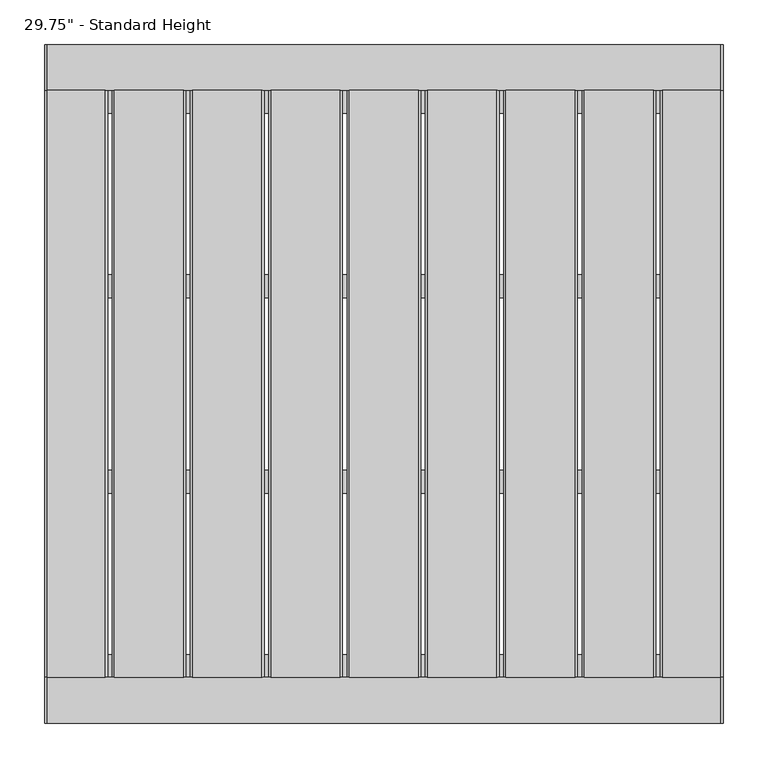
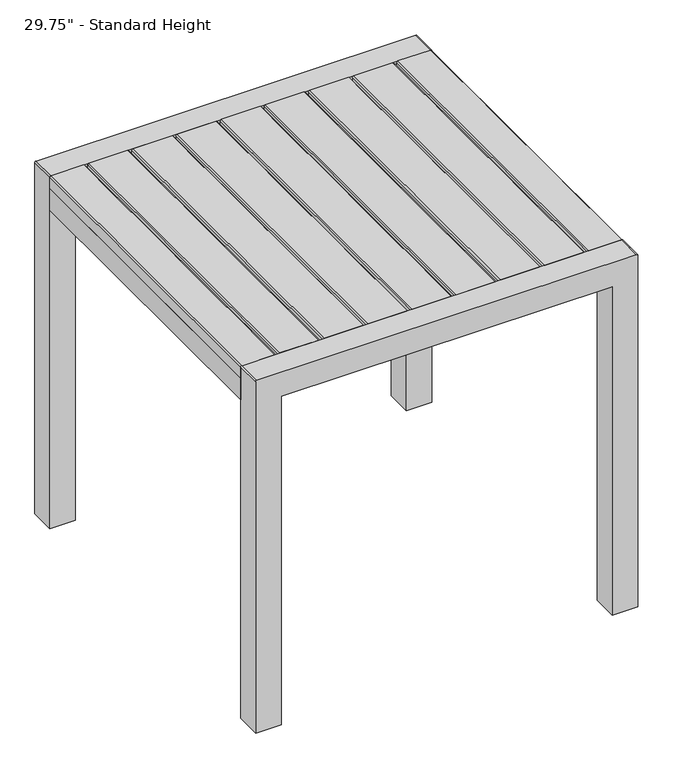
"""IFC4 building model written with IfcOpenShell, lengths in millimetres: furniture geometry."""

from ifc_helpers import new_model, si_unit, point, frame, frame_2d, origin, place, context, project, spatial, polyline, circle_curve, trimmed, segment, composite_curve, outline, extrude, source, transform, mapped, element, save


def furniture_b8332ba9(model_context):
    return source(origin(), model_context, "Body", "SweptSolid", [
        extrude(outline(polyline([(711.2, 215.6354167), (734.0767182, 215.6354167), (736.6, 213.1121665), (736.6, 136.0055418), (734.0767182, 133.4822917), (711.2, 133.4822917), (711.2, 215.6354167)])), frame((0.0, -331.0549408, 0.0), z_axis=(0.0, 1.0, 0.0), x_axis=(0.0, 0.0, 1.0)), (0.0, 0.0, 1.0), 654.05),
        extrude(outline(polyline([(711.2, 128.3559896), (734.0767182, 128.3559896), (736.6, 125.8327394), (736.6, 48.7261148), (734.0767182, 46.2028646), (711.2, 46.2028646), (711.2, 128.3559896)])), frame((0.0, -331.0549408, 0.0), z_axis=(0.0, 1.0, 0.0), x_axis=(0.0, 0.0, 1.0)), (0.0, 0.0, 1.0), 654.05),
        extrude(outline(polyline([(711.2, 41.0765625), (734.0767182, 41.0765625), (736.6, 38.5533123), (736.6, -38.5533123), (734.0767182, -41.0765625), (711.2, -41.0765625), (711.2, 41.0765625)])), frame((0.0, -331.0549408, 0.0), z_axis=(0.0, 1.0, 0.0), x_axis=(0.0, 0.0, 1.0)), (0.0, 0.0, 1.0), 654.05),
        extrude(outline(polyline([(711.2, -46.2028646), (734.0767182, -46.2028646), (736.6, -48.7261148), (736.6, -125.8327394), (734.0767182, -128.3559896), (711.2, -128.3559896), (711.2, -46.2028646)])), frame((0.0, -331.0549408, 0.0), z_axis=(0.0, 1.0, 0.0), x_axis=(0.0, 0.0, 1.0)), (0.0, 0.0, 1.0), 654.05),
        extrude(outline(polyline([(711.2, -133.4822917), (734.0767182, -133.4822917), (736.6, -136.0055418), (736.6, -213.1121665), (734.0767182, -215.6354167), (711.2, -215.6354167), (711.2, -133.4822917)])), frame((0.0, -331.0549408, 0.0), z_axis=(0.0, 1.0, 0.0), x_axis=(0.0, 0.0, 1.0)), (0.0, 0.0, 1.0), 654.05),
        extrude(outline(polyline([(711.2, 302.9148438), (734.0767182, 302.9148438), (736.6, 300.3915936), (736.6, 223.2849689), (734.0767182, 220.7617188), (711.2, 220.7617188), (711.2, 302.9148438)])), frame((0.0, -331.0549408, 0.0), z_axis=(0.0, 1.0, 0.0), x_axis=(0.0, 0.0, 1.0)), (0.0, 0.0, 1.0), 654.05),
        extrude(outline(polyline([(711.2, -220.7617188), (734.0767182, -220.7617188), (736.6, -223.2849689), (736.6, -300.3915936), (734.0767182, -302.9148437), (711.2, -302.9148437), (711.2, -220.7617188)])), frame((0.0, -331.0549408, 0.0), z_axis=(0.0, 1.0, 0.0), x_axis=(0.0, 0.0, 1.0)), (0.0, 0.0, 1.0), 654.05),
        extrude(outline(polyline([(711.2, -377.825), (711.2, -307.9749879), (734.0596996, -307.9749879), (736.6, -310.5152519), (736.6, -375.2847481), (734.0597117, -377.825), (711.2, -377.825)])), frame((0.0, -331.0549408, 0.0), z_axis=(0.0, 1.0, 0.0), x_axis=(0.0, 0.0, 1.0)), (0.0, 0.0, 1.0), 654.05),
        extrude(outline(polyline([(711.2, 377.825), (734.0597117, 377.825), (736.6, 375.2847481), (736.6, 310.5152519), (734.0596996, 307.9749879), (711.2, 307.9749879), (711.2, 377.825)])), frame((0.0, -331.0549408, 0.0), z_axis=(0.0, 1.0, 0.0), x_axis=(0.0, 0.0, 1.0)), (0.0, 0.0, 1.0), 654.05),
        extrude(outline(polyline([(327.0249879, -100.3382701), (327.0249879, -125.7382731), (-327.0249879, -125.7382731), (-327.0249879, -100.3382701), (327.0249879, -100.3382701)])), frame((0.0, 0.0, 685.8), z_axis=(0.0, 0.0, 1.0), x_axis=(1.0, 0.0, 0.0)), (0.0, 0.0, 1.0), 25.4),
        extrude(outline(polyline([(327.0249879, -305.6549347), (327.0249879, -331.0549408), (-327.0249879, -331.0549408), (-327.0249879, -305.6549347), (327.0249879, -305.6549347)])), frame((0.0, 0.0, 685.8), z_axis=(0.0, 0.0, 1.0), x_axis=(1.0, 0.0, 0.0)), (0.0, 0.0, 1.0), 25.4),
        extrude(outline(polyline([(327.0249879, 322.9950592), (327.0249879, 297.5950532), (-327.0249879, 297.5950532), (-327.0249879, 322.9950592), (327.0249879, 322.9950592)])), frame((0.0, 0.0, 685.8), z_axis=(0.0, 0.0, 1.0), x_axis=(1.0, 0.0, 0.0)), (0.0, 0.0, 1.0), 25.4),
        extrude(outline(polyline([(327.0249879, 117.6783915), (327.0249879, 92.2783885), (-327.0249879, 92.2783885), (-327.0249879, 117.6783915), (327.0249879, 117.6783915)])), frame((0.0, 0.0, 685.8), z_axis=(0.0, 0.0, 1.0), x_axis=(1.0, 0.0, 0.0)), (0.0, 0.0, 1.0), 25.4),
        extrude(outline(polyline([(-327.0249879, -331.0549408), (-377.825, -331.0549408), (-377.825, 322.9950592), (-327.0249879, 322.9950592), (-327.0249879, -331.0549408)])), frame((0.0, 0.0, 665.734001), z_axis=(0.0, 0.0, 1.0), x_axis=(1.0, 0.0, 0.0)), (0.0, 0.0, 1.0), 45.465999),
        extrude(outline(polyline([(377.825, -331.0549408), (327.0249879, -331.0549408), (327.0249879, 322.9950592), (377.825, 322.9950592), (377.825, -331.0549408)])), frame((0.0, 0.0, 665.734001), z_axis=(0.0, 0.0, 1.0), x_axis=(1.0, 0.0, 0.0)), (0.0, 0.0, 1.0), 45.465999),
        extrude(outline(composite_curve([segment(polyline([(0.0, -327.0249879), (685.8, -327.0249879), (685.8, 327.0249879), (0.0, 327.0249879), (0.0, 377.825), (734.0203125, 377.825)]), True, "CONTINUOUS"), segment(trimmed(circle_curve(frame_2d((734.0203125, 375.2453125)), 2.5796875), [point((734.0203125, 377.825))], [point((736.6, 375.2453125))], False, "CARTESIAN"), True, "CONTINUOUS"), segment(polyline([(736.6, 375.2453125), (736.6, -375.2453125)]), True, "CONTINUOUS"), segment(trimmed(circle_curve(frame_2d((734.0203125, -375.2453125)), 2.5796875), [point((736.6, -375.2453125))], [point((734.0203125, -377.825))], False, "CARTESIAN"), True, "CONTINUOUS"), segment(polyline([(734.0203125, -377.825), (0.0, -377.825), (0.0, -327.0249879)]), True, "CONTINUOUS")], self_intersect=False)), frame((0.0, 322.9950592, 0.0), z_axis=(0.0, 1.0, 0.0), x_axis=(0.0, 0.0, 1.0)), (0.0, 0.0, 1.0), 50.8),
        extrude(outline(composite_curve([segment(polyline([(0.0, -327.0249879), (685.8, -327.0249879), (685.8, 327.0249879), (0.0, 327.0249879), (0.0, 377.825), (734.0203125, 377.825)]), True, "CONTINUOUS"), segment(trimmed(circle_curve(frame_2d((734.0203125, 375.2453125)), 2.5796875), [point((734.0203125, 377.825))], [point((736.6, 375.2453125))], False, "CARTESIAN"), True, "CONTINUOUS"), segment(polyline([(736.6, 375.2453125), (736.6, -375.2453125)]), True, "CONTINUOUS"), segment(trimmed(circle_curve(frame_2d((734.0203125, -375.2453125)), 2.5796875), [point((736.6, -375.2453125))], [point((734.0203125, -377.825))], False, "CARTESIAN"), True, "CONTINUOUS"), segment(polyline([(734.0203125, -377.825), (0.0, -377.825), (0.0, -327.0249879)]), True, "CONTINUOUS")], self_intersect=False)), frame((0.0, -381.8549408, 0.0), z_axis=(0.0, 1.0, 0.0), x_axis=(0.0, 0.0, 1.0)), (0.0, 0.0, 1.0), 50.8),
    ])


if __name__ == "__main__":
    model = new_model("IFC4")
    model_context = context("Model", 3, world=origin())
    ifc_project = project(units=[si_unit("LENGTHUNIT", "METRE", prefix="MILLI")], contexts=[model_context])
    site = spatial("IfcSite", under=ifc_project)
    building = spatial("IfcBuilding", under=site)
    placement = place(None, origin())
    furniture_shape = furniture_b8332ba9(model_context)
    element("IfcFurniture", 1, ObjectType="29.75\" - Standard Height", at=placement, inside=building, context=model_context, shape_type="MappedRepresentation", body=[
        mapped(furniture_shape, transform((0.0, 0.0, 0.0), x_axis=(1.0, 0.0, 0.0), y_axis=(0.0, 1.0, 0.0), z_axis=(0.0, 0.0, 1.0))),
    ])
    save(model, "model.ifc")
